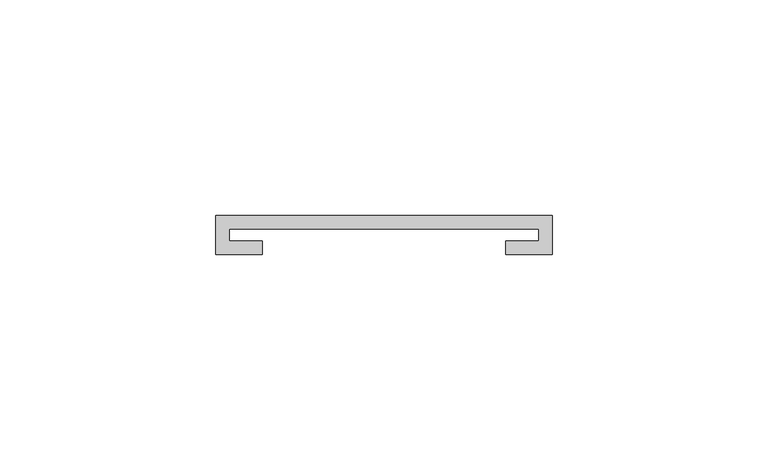
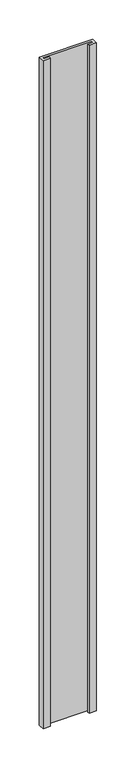
"""IFC4 building model written with IfcOpenShell, lengths in millimetres: furniture geometry."""

from ifc_helpers import new_model, si_unit, frame, origin, place, context, project, spatial, polyline, outline, extrude, source, transform, mapped, element, save


def furniture_9400e933(model_context):
    return source(origin(), model_context, "Body", "SweptSolid", [
        extrude(outline(polyline([(-39.0921875, 29.9735875), (-39.0921875, 39.0921875), (39.0921875, 39.0921875), (39.0921875, 29.9735875), (28.2971875, 29.9735875), (28.2971875, 33.1485875), (35.9171875, 33.1485875), (35.9171875, 35.9171875), (-35.9171875, 35.9171875), (-35.9171875, 33.1485875), (-28.2971875, 33.1485875), (-28.2971875, 29.9735875), (-39.0921875, 29.9735875)])), frame((0.0, 0.0, 1157.2875), z_axis=(0.0, 0.0, 1.0), x_axis=(1.0, 0.0, 0.0)), (0.0, 0.0, 1.0), 1034.4546875),
    ])


if __name__ == "__main__":
    model = new_model("IFC4")
    model_context = context("Model", 3, world=origin())
    ifc_project = project(units=[si_unit("LENGTHUNIT", "METRE", prefix="MILLI")], contexts=[model_context])
    site = spatial("IfcSite", under=ifc_project)
    building = spatial("IfcBuilding", under=site)
    placement = place(None, origin())
    furniture_shape = furniture_9400e933(model_context)
    element("IfcFurniture", 1, at=placement, inside=building, context=model_context, shape_type="MappedRepresentation", body=[
        mapped(furniture_shape, transform((0.0, 0.0, 0.0), x_axis=(1.0, 0.0, 0.0), y_axis=(0.0, 1.0, 0.0), z_axis=(0.0, 0.0, 1.0))),
    ])
    save(model, "model.ifc")
